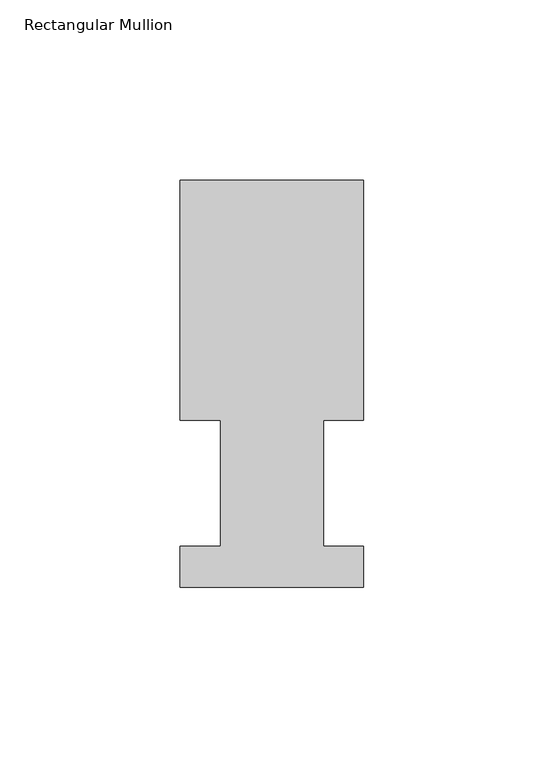
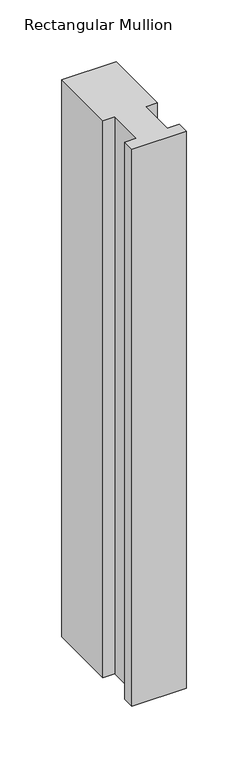
"""IFC4 building model written with IfcOpenShell, lengths in millimetres: member geometry, Rectangular Mullion."""

import ifcopenshell
import ifcopenshell.guid

model = None  # the IFC model being written
_history = None  # IfcOwnerHistory: only IFC2X3 demands one
_inside = {}  # id of a spatial element -> (the spatial element, [elements in it])
_under = {}  # id of a project, library or spatial element -> (it, [spatial elements below it])
_declared = {}  # id of a project -> (the project, [libraries it declares])
_typed = {}  # id of a type object -> (the type object, [elements of that type])
_made_of = {}  # id of a material, layer set ... -> (it, [elements and type objects made of it])


def new_model(schema):
    """Start an empty IFC model of exactly this schema.

    Asked for "IFC4X3", IfcOpenShell would pick the latest addendum, in which some entities
    have other attributes; the version numbers below select the first issue.
    IFC2X3 requires an IfcOwnerHistory on every rooted entity: one is made here for all.
    """
    global model, _history
    if schema == "IFC4X3":
        model = ifcopenshell.file(schema_version=(4, 3, 0, 0))
    else:
        model = ifcopenshell.file(schema=schema)
    _inside.clear()
    _under.clear()
    _declared.clear()
    _typed.clear()
    _made_of.clear()
    _history = None
    if model.schema == "IFC2X3":
        org = make("IfcOrganization", Name="unknown")
        user = make(
            "IfcPersonAndOrganization",
            ThePerson=make("IfcPerson", FamilyName="unknown"),
            TheOrganization=org,
        )
        app = make(
            "IfcApplication",
            ApplicationDeveloper=org,
            Version="unknown",
            ApplicationFullName="unknown",
            ApplicationIdentifier="unknown",
        )
        _history = make(
            "IfcOwnerHistory",
            OwningUser=user,
            OwningApplication=app,
            ChangeAction="ADDED",
            CreationDate=0,
        )
    return model


def make(cls, **values):
    """One entity of the class cls with the attributes given. An attribute that is None is left unset."""
    return model.create_entity(
        cls, **{name: value for name, value in values.items() if value is not None}
    )


def rooted(cls, **values):
    """An entity with a GlobalId (a new one), such as an element, a storey or a relation."""
    return make(cls, GlobalId=ifcopenshell.guid.new(), OwnerHistory=_history, **values)


def si_unit(unit_type, name, prefix=None):
    """IfcSIUnit, for example si_unit("LENGTHUNIT", "METRE", prefix="MILLI")."""
    return make("IfcSIUnit", UnitType=unit_type, Prefix=prefix, Name=name)


def assignment(units):
    """IfcUnitAssignment: the units of a project."""
    return None if units is None else make("IfcUnitAssignment", Units=units)


def point(xyz):
    """IfcCartesianPoint."""
    return None if xyz is None else make("IfcCartesianPoint", Coordinates=xyz)


def direction(xyz):
    """IfcDirection."""
    return None if xyz is None else make("IfcDirection", DirectionRatios=xyz)


def frame(location, z_axis=None, x_axis=None):
    """IfcAxis2Placement3D, a coordinate frame: its origin and axes. An axis left out is left unset."""
    return make(
        "IfcAxis2Placement3D",
        Location=point(location),
        Axis=direction(z_axis),
        RefDirection=direction(x_axis),
    )


def origin():
    """The frame at (0, 0, 0) with its axes left unset."""
    return frame((0.0, 0.0, 0.0))


def place(relative_to, where):
    """IfcLocalPlacement: puts the frame where relative to a parent placement (None: the world)."""
    return make(
        "IfcLocalPlacement", PlacementRelTo=relative_to, RelativePlacement=where
    )


def context(
    kind, dimensions, precision=None, world=None, true_north=None, identifier=None
):
    """IfcGeometricRepresentationContext, for example the 3D "Model" context."""
    return make(
        "IfcGeometricRepresentationContext",
        ContextIdentifier=identifier,
        ContextType=kind,
        CoordinateSpaceDimension=dimensions,
        Precision=precision,
        WorldCoordinateSystem=world,
        TrueNorth=true_north,
    )


def project(units=None, contexts=None):
    """IfcProject with its units and contexts."""
    return rooted(
        "IfcProject",
        Name="project",
        RepresentationContexts=contexts,
        UnitsInContext=assignment(units),
    )


def spatial(cls, under=None, at=None, **own):
    """A site, building, storey or space (cls), placed at a placement, below another one or the project."""
    s = rooted(cls, ObjectPlacement=at, **own)
    if under is not None:
        _under.setdefault(under.id(), (under, []))[1].append(s)
    return s


def polyline(points):
    """IfcPolyline through the points."""
    return make("IfcPolyline", Points=[point(p) for p in points])


def outline(outer, holes=None, kind="AREA"):
    """IfcArbitraryClosedProfileDef: a profile drawn as a closed curve; with holes, ...WithVoids."""
    if holes is None:
        return make("IfcArbitraryClosedProfileDef", ProfileType=kind, OuterCurve=outer)
    return make(
        "IfcArbitraryProfileDefWithVoids",
        ProfileType=kind,
        OuterCurve=outer,
        InnerCurves=holes,
    )


def extrude(swept, where, along, depth):
    """IfcExtrudedAreaSolid: the profile swept, set in the frame where, extruded along a direction by depth."""
    return make(
        "IfcExtrudedAreaSolid",
        SweptArea=swept,
        Position=where,
        ExtrudedDirection=direction(along),
        Depth=depth,
    )


def shape(context_of_items, identifier, shape_type, items):
    """IfcShapeRepresentation: the items that make up one representation, for example the "Body"."""
    return make(
        "IfcShapeRepresentation",
        ContextOfItems=context_of_items,
        RepresentationIdentifier=identifier,
        RepresentationType=shape_type,
        Items=items,
    )


def source(mapping_origin, context_of_items, identifier, shape_type, items):
    """IfcRepresentationMap: a shape defined once, which mapped items show again and again."""
    return make(
        "IfcRepresentationMap",
        MappingOrigin=mapping_origin,
        MappedRepresentation=shape(context_of_items, identifier, shape_type, items),
    )


def transform(
    local_origin,
    x_axis=None,
    y_axis=None,
    z_axis=None,
    scale=None,
    scale2=None,
    scale3=None,
    uniform=True,
):
    """IfcCartesianTransformationOperator3D, or its non-uniform kind. x_axis, y_axis, z_axis: its Axis1, 2, 3."""
    if uniform:
        return make(
            "IfcCartesianTransformationOperator3D",
            Axis1=direction(x_axis),
            Axis2=direction(y_axis),
            LocalOrigin=point(local_origin),
            Scale=scale,
            Axis3=direction(z_axis),
        )
    return make(
        "IfcCartesianTransformationOperator3DnonUniform",
        Axis1=direction(x_axis),
        Axis2=direction(y_axis),
        LocalOrigin=point(local_origin),
        Scale=scale,
        Axis3=direction(z_axis),
        Scale2=scale2,
        Scale3=scale3,
    )


def mapped(mapping_source, mapping_target):
    """IfcMappedItem: shows the shape of a source again, moved by a transform."""
    return make(
        "IfcMappedItem", MappingSource=mapping_source, MappingTarget=mapping_target
    )


def made_of(thing, what):
    """Note that an element or type object is made of a material, layer set ...; save() writes the relation."""
    if what is not None:
        _made_of.setdefault(what.id(), (what, []))[1].append(thing)
    return thing


def element(
    cls,
    number,
    at=None,
    inside=None,
    cuts=None,
    type_object=None,
    material=None,
    context=None,
    identifier="Body",
    shape_type=None,
    held_by="IfcProductDefinitionShape",
    body=None,
    shapes=None,
    **own,
):
    """One element of the class cls, such as IfcWall. Its Tag is "e" and its number.

    at: its placement. inside: the storey or other place that contains it. cuts: it is an
    opening in that element (IfcRelVoidsElement). A single representation is given by context,
    identifier, shape_type and body (its items); several are given by shapes. held_by: the class
    of the entity that holds the representations. save() writes the other relations.
    """
    e = rooted(cls, Tag="e%d" % number, ObjectPlacement=at, **own)
    if body is not None:
        shapes = [shape(context, identifier, shape_type, body)]
    if shapes is not None:
        e.Representation = make(held_by, Representations=shapes)
    if inside is not None:
        _inside.setdefault(inside.id(), (inside, []))[1].append(e)
    if cuts is not None:
        rooted(
            "IfcRelVoidsElement", RelatingBuildingElement=cuts, RelatedOpeningElement=e
        )
    if type_object is not None:
        _typed.setdefault(type_object.id(), (type_object, []))[1].append(e)
    return made_of(e, material)


def aggregate(whole, parts):
    """IfcRelAggregates: a whole, such as a stair, and the parts it consists of."""
    return rooted("IfcRelAggregates", RelatingObject=whole, RelatedObjects=parts)


def save(model, path):
    """Write the relations noted so far, then the file.

    IfcRelAggregates (storeys below a building ...), IfcRelContainedInSpatialStructure (elements
    in a storey), IfcRelDefinesByType, IfcRelAssociatesMaterial and IfcRelDeclares: one each for
    every whole, place, type object, material and project.
    """
    for whole, parts in _under.values():
        aggregate(whole, parts)
    for where, things in _inside.values():
        rooted(
            "IfcRelContainedInSpatialStructure",
            RelatedElements=things,
            RelatingStructure=where,
        )
    for kind, things in _typed.values():
        rooted("IfcRelDefinesByType", RelatedObjects=things, RelatingType=kind)
    for what, things in _made_of.values():
        rooted("IfcRelAssociatesMaterial", RelatedObjects=things, RelatingMaterial=what)
    for by, libraries in _declared.values():
        rooted("IfcRelDeclares", RelatingContext=by, RelatedDefinitions=libraries)
    model.write(path)


def rectangular_mullion_f9b45579(model_context):
    return source(origin(), model_context, "Body", "SweptSolid", [
        extrude(outline(polyline([(-50.8, 0.7221878), (-50.8, 12.1267878), (-39.6875, 12.1267878), (-39.6875, 47.0517878), (-50.8, 47.0517878), (-50.8, 113.4473878), (0.0, 113.4473878), (0.0, 47.0517878), (-11.0998, 47.0517878), (-11.0998, 12.1267878), (0.0, 12.1267878), (0.0, 0.7221878), (-50.8, 0.7221878)])), frame((0.0, 0.0, -549.275), z_axis=(0.0, 0.0, 1.0), x_axis=(1.0, 0.0, 0.0)), (0.0, 0.0, 1.0), 549.275),
    ])


if __name__ == "__main__":
    model = new_model("IFC4")
    model_context = context("Model", 3, world=origin())
    ifc_project = project(units=[si_unit("LENGTHUNIT", "METRE", prefix="MILLI")], contexts=[model_context])
    site = spatial("IfcSite", under=ifc_project)
    building = spatial("IfcBuilding", under=site)
    placement = place(None, origin())
    rectangular_mullion_shape = rectangular_mullion_f9b45579(model_context)
    element("IfcMember", 1, ObjectType="Rectangular Mullion", at=placement, inside=building, context=model_context, shape_type="MappedRepresentation", body=[
        mapped(rectangular_mullion_shape, transform((0.0, 0.0, 0.0), x_axis=(1.0, 0.0, 0.0), y_axis=(0.0, 1.0, 0.0), z_axis=(0.0, 0.0, 1.0))),
    ])
    save(model, "model.ifc")
